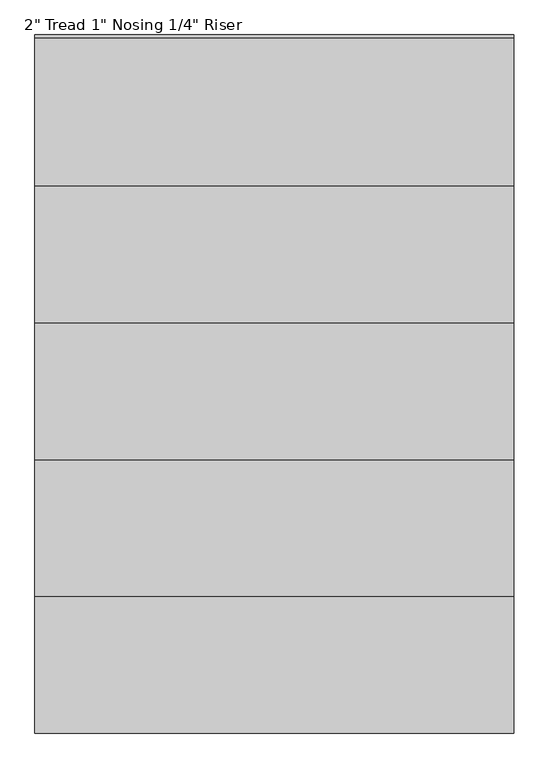
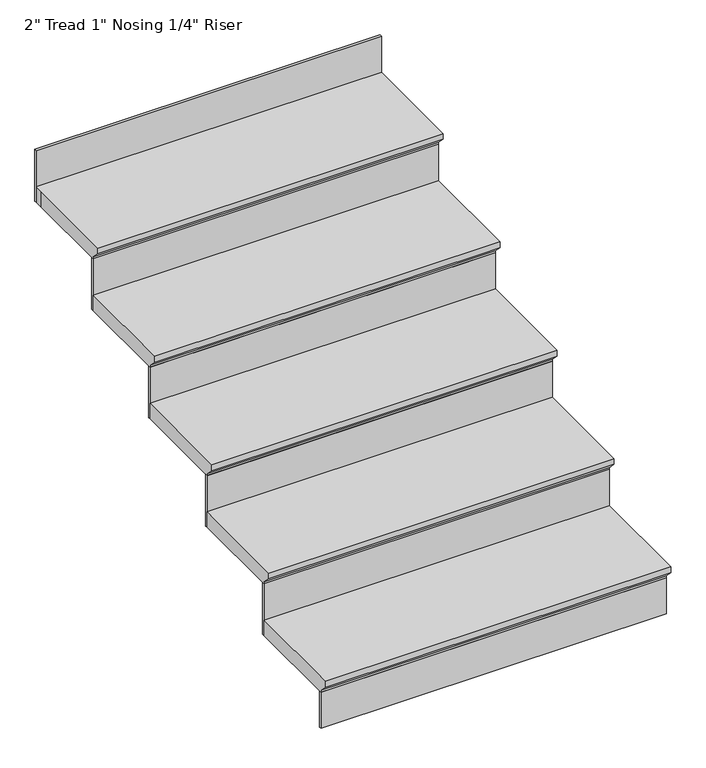
"""IFC4 building model written with IfcOpenShell, lengths in millimetres: stair flight geometry."""

from ifc_helpers import new_model, si_unit, origin, place, context, project, spatial, faceted_brep, source, transform, mapped, element, save


def stair_flight_429012dc(model_context):
    return source(origin(), model_context, "Body", "Brep", [
        faceted_brep([(27200.036035, -9313.4798674, 149.7852941), (27200.036035, -9313.4798674, 168.8352941), (26133.236035, -9313.4798674, 168.8352941), (26133.236035, -9313.4798674, 149.7852941), (27200.036035, -9288.0798674, 124.3852941), (26133.236035, -9288.0798674, 124.3852941), (27200.036035, -8983.2798674, 168.8352941), (26133.236035, -8983.2798674, 168.8352941), (26133.236035, -9288.0798674, 118.0352941), (26133.236035, -8983.2798674, 118.0352941), (27200.036035, -8983.2798674, 118.0352941), (27200.036035, -9288.0798674, 118.0352941)], [[[0, 1, 2, 3]], [[4, 0, 3, 5]], [[2, 1, 6, 7]], [[8, 9, 10, 11]], [[2, 7, 9, 8, 5, 3]], [[8, 11, 4, 5]], [[6, 1, 0, 4, 11, 10]], [[7, 6, 10, 9]]]),
        faceted_brep([(27200.036035, -9288.0798674, 118.0352941), (27200.036035, -9288.0798674, 0.0), (27200.036035, -9281.7298674, 0.0), (27200.036035, -9281.7298674, 118.0352941), (26133.236035, -9288.0798674, 118.0352941), (26133.236035, -9281.7298674, 118.0352941), (26133.236035, -9281.7298674, 0.0), (26133.236035, -9288.0798674, 0.0)], [[[0, 1, 2, 3]], [[4, 5, 6, 7]], [[1, 0, 4, 7]], [[2, 1, 7, 6]], [[3, 2, 6, 5]], [[0, 3, 5, 4]]]),
        faceted_brep([(27200.036035, -8983.2798674, 286.8705882), (27200.036035, -8983.2798674, 118.0352941), (27200.036035, -8976.9298674, 118.0352941), (27200.036035, -8976.9298674, 286.8705882), (26133.236035, -8983.2798674, 286.8705882), (26133.236035, -8976.9298674, 286.8705882), (26133.236035, -8976.9298674, 118.0352941), (26133.236035, -8983.2798674, 118.0352941)], [[[0, 1, 2, 3]], [[4, 5, 6, 7]], [[1, 0, 4, 7]], [[2, 1, 7, 6]], [[3, 2, 6, 5]], [[0, 3, 5, 4]]]),
        faceted_brep([(26133.236035, -9008.6798674, 337.6705882), (27200.036035, -9008.6798674, 337.6705882), (27200.036035, -8678.4798674, 337.6705882), (26133.236035, -8678.4798674, 337.6705882), (26133.236035, -8983.2798674, 286.8705882), (26133.236035, -8678.4798674, 286.8705882), (27200.036035, -8678.4798674, 286.8705882), (27200.036035, -8983.2798674, 286.8705882), (26133.236035, -8983.2798674, 293.2205882), (26133.236035, -9008.6798674, 318.6205882), (27200.036035, -8983.2798674, 293.2205882), (27200.036035, -9008.6798674, 318.6205882)], [[[0, 1, 2, 3]], [[4, 5, 6, 7]], [[0, 3, 5, 4, 8, 9]], [[4, 7, 10, 8]], [[2, 1, 11, 10, 7, 6]], [[3, 2, 6, 5]], [[11, 1, 0, 9]], [[10, 11, 9, 8]]]),
        faceted_brep([(27200.036035, -8678.4798674, 455.7058824), (27200.036035, -8678.4798674, 286.8705882), (27200.036035, -8672.1298674, 286.8705882), (27200.036035, -8672.1298674, 455.7058824), (26133.236035, -8678.4798674, 455.7058824), (26133.236035, -8672.1298674, 455.7058824), (26133.236035, -8672.1298674, 286.8705882), (26133.236035, -8678.4798674, 286.8705882)], [[[0, 1, 2, 3]], [[4, 5, 6, 7]], [[1, 0, 4, 7]], [[2, 1, 7, 6]], [[3, 2, 6, 5]], [[0, 3, 5, 4]]]),
        faceted_brep([(26133.236035, -8703.8798674, 506.5058824), (27200.036035, -8703.8798674, 506.5058824), (27200.036035, -8373.6798674, 506.5058824), (26133.236035, -8373.6798674, 506.5058824), (26133.236035, -8678.4798674, 455.7058824), (26133.236035, -8373.6798674, 455.7058824), (27200.036035, -8373.6798674, 455.7058824), (27200.036035, -8678.4798674, 455.7058824), (26133.236035, -8678.4798674, 462.0558824), (26133.236035, -8703.8798674, 487.4558824), (27200.036035, -8678.4798674, 462.0558824), (27200.036035, -8703.8798674, 487.4558824)], [[[0, 1, 2, 3]], [[4, 5, 6, 7]], [[0, 3, 5, 4, 8, 9]], [[4, 7, 10, 8]], [[2, 1, 11, 10, 7, 6]], [[3, 2, 6, 5]], [[11, 1, 0, 9]], [[10, 11, 9, 8]]]),
        faceted_brep([(27200.036035, -8373.6798674, 624.5411765), (27200.036035, -8373.6798674, 455.7058824), (27200.036035, -8367.3298674, 455.7058824), (27200.036035, -8367.3298674, 624.5411765), (26133.236035, -8373.6798674, 624.5411765), (26133.236035, -8367.3298674, 624.5411765), (26133.236035, -8367.3298674, 455.7058824), (26133.236035, -8373.6798674, 455.7058824)], [[[0, 1, 2, 3]], [[4, 5, 6, 7]], [[1, 0, 4, 7]], [[2, 1, 7, 6]], [[3, 2, 6, 5]], [[0, 3, 5, 4]]]),
        faceted_brep([(26133.236035, -8399.0798674, 675.3411765), (27200.036035, -8399.0798674, 675.3411765), (27200.036035, -8068.8798674, 675.3411765), (26133.236035, -8068.8798674, 675.3411765), (26133.236035, -8373.6798674, 624.5411765), (26133.236035, -8068.8798674, 624.5411765), (27200.036035, -8068.8798674, 624.5411765), (27200.036035, -8373.6798674, 624.5411765), (26133.236035, -8373.6798674, 630.8911765), (26133.236035, -8399.0798674, 656.2911765), (27200.036035, -8373.6798674, 630.8911765), (27200.036035, -8399.0798674, 656.2911765)], [[[0, 1, 2, 3]], [[4, 5, 6, 7]], [[0, 3, 5, 4, 8, 9]], [[4, 7, 10, 8]], [[2, 1, 11, 10, 7, 6]], [[3, 2, 6, 5]], [[11, 1, 0, 9]], [[10, 11, 9, 8]]]),
        faceted_brep([(27200.036035, -7764.0798674, 962.2117647), (27200.036035, -7764.0798674, 793.3764706), (27200.036035, -7757.7298674, 793.3764706), (27200.036035, -7757.7298674, 962.2117647), (26133.236035, -7764.0798674, 962.2117647), (26133.236035, -7757.7298674, 962.2117647), (26133.236035, -7757.7298674, 793.3764706), (26133.236035, -7764.0798674, 793.3764706)], [[[0, 1, 2, 3]], [[4, 5, 6, 7]], [[1, 0, 4, 7]], [[2, 1, 7, 6]], [[3, 2, 6, 5]], [[0, 3, 5, 4]]]),
        faceted_brep([(27200.036035, -8068.8798674, 793.3764706), (27200.036035, -8068.8798674, 624.5411765), (27200.036035, -8062.5298674, 624.5411765), (27200.036035, -8062.5298674, 793.3764706), (26133.236035, -8068.8798674, 793.3764706), (26133.236035, -8062.5298674, 793.3764706), (26133.236035, -8062.5298674, 624.5411765), (26133.236035, -8068.8798674, 624.5411765)], [[[0, 1, 2, 3]], [[4, 5, 6, 7]], [[1, 0, 4, 7]], [[2, 1, 7, 6]], [[3, 2, 6, 5]], [[0, 3, 5, 4]]]),
        faceted_brep([(26133.236035, -7764.0798674, 844.1764706), (26133.236035, -7789.4798674, 844.1764706), (26133.236035, -8094.2798674, 844.1764706), (27200.036035, -8094.2798674, 844.1764706), (27200.036035, -7789.4798674, 844.1764706), (27200.036035, -7764.0798674, 844.1764706), (26133.236035, -7789.4798674, 793.3764706), (26133.236035, -7764.0798674, 793.3764706), (27200.036035, -7764.0798674, 793.3764706), (27200.036035, -7789.4798674, 793.3764706), (27200.036035, -8068.8798674, 793.3764706), (26133.236035, -8068.8798674, 793.3764706), (26133.236035, -8068.8798674, 799.7264706), (26133.236035, -8094.2798674, 825.1264706), (27200.036035, -8068.8798674, 799.7264706), (27200.036035, -8094.2798674, 825.1264706)], [[[0, 1, 2, 3, 4, 5]], [[6, 7, 8, 9, 10, 11]], [[1, 0, 7, 6]], [[2, 1, 6, 11, 12, 13]], [[11, 10, 14, 12]], [[4, 3, 15, 14, 10, 9]], [[5, 4, 9, 8]], [[0, 5, 8, 7]], [[15, 3, 2, 13]], [[14, 15, 13, 12]]]),
    ])


if __name__ == "__main__":
    model = new_model("IFC4")
    model_context = context("Model", 3, world=origin())
    ifc_project = project(units=[si_unit("LENGTHUNIT", "METRE", prefix="MILLI")], contexts=[model_context])
    site = spatial("IfcSite", under=ifc_project)
    building = spatial("IfcBuilding", under=site)
    placement = place(None, origin())
    stair_flight_shape = stair_flight_429012dc(model_context)
    element("IfcStairFlight", 1, ObjectType="2\" Tread 1\" Nosing 1/4\" Riser", at=placement, inside=building, context=model_context, shape_type="MappedRepresentation", body=[
        mapped(stair_flight_shape, transform((0.0, 0.0, 0.0), x_axis=(1.0, 0.0, 0.0), y_axis=(0.0, 1.0, 0.0), z_axis=(0.0, 0.0, 1.0))),
    ])
    save(model, "model.ifc")
